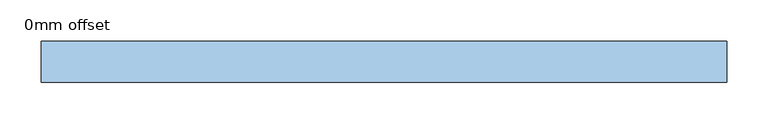
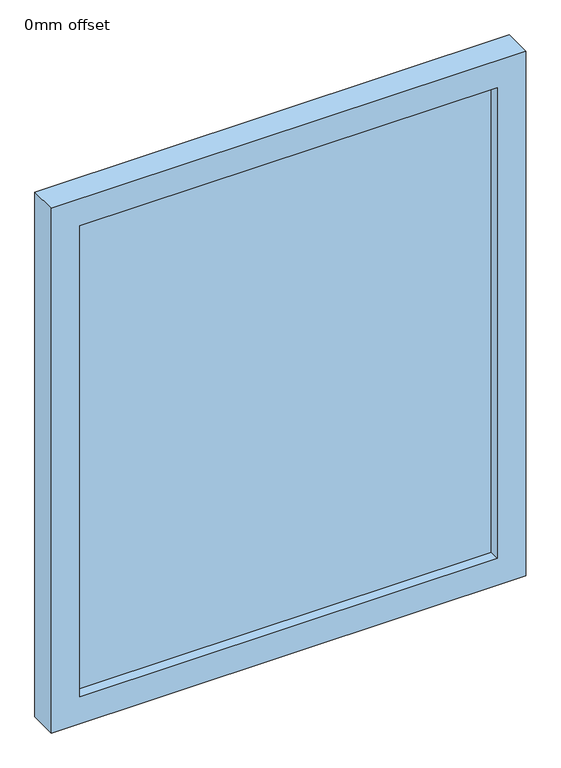
"""IFC4 building model written with IfcOpenShell, lengths in millimetres: window geometry, 0mm offset."""

from ifc_helpers import new_model, si_unit, frame, origin, place, context, project, spatial, polyline, outline, extrude, source, transform, mapped, element, save


def window_0mm_offset_2e6551b9(model_context):
    return source(origin(), model_context, "Body", "SweptSolid", [
        extrude(outline(polyline([(366.875, -30.95), (-366.875, -30.95), (-366.875, -18.25), (366.875, -18.25), (366.875, -30.95)])), frame((0.0, 0.0, 50.0), z_axis=(0.0, 0.0, 1.0), x_axis=(1.0, 0.0, 0.0)), (0.0, 0.0, 1.0), 875.0),
        extrude(outline(polyline([(975.0, -416.875), (0.0, -416.875), (0.0, 416.875), (975.0, 416.875), (975.0, -416.875)]), holes=[polyline([(925.0, -366.875), (925.0, 366.875), (50.0, 366.875), (50.0, -366.875), (925.0, -366.875)])]), frame((0.0, -50.0, 0.0), z_axis=(0.0, 1.0, 0.0), x_axis=(0.0, 0.0, 1.0)), (0.0, 0.0, 1.0), 50.0),
    ])


if __name__ == "__main__":
    model = new_model("IFC4")
    model_context = context("Model", 3, world=origin())
    ifc_project = project(units=[si_unit("LENGTHUNIT", "METRE", prefix="MILLI")], contexts=[model_context])
    site = spatial("IfcSite", under=ifc_project)
    building = spatial("IfcBuilding", under=site)
    placement = place(None, origin())
    window_0mm_offset_shape = window_0mm_offset_2e6551b9(model_context)
    element("IfcWindow", 1, ObjectType="0mm offset", at=placement, inside=building, context=model_context, shape_type="MappedRepresentation", body=[
        mapped(window_0mm_offset_shape, transform((0.0, 0.0, 0.0), x_axis=(1.0, 0.0, 0.0), y_axis=(0.0, 1.0, 0.0), z_axis=(0.0, 0.0, 1.0))),
    ])
    save(model, "model.ifc")
